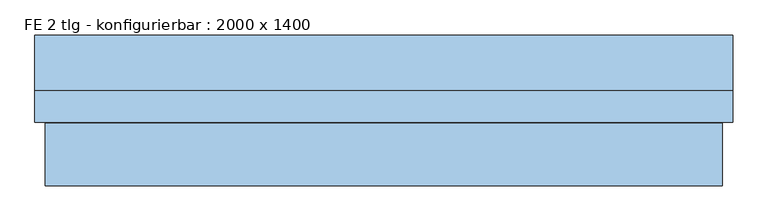
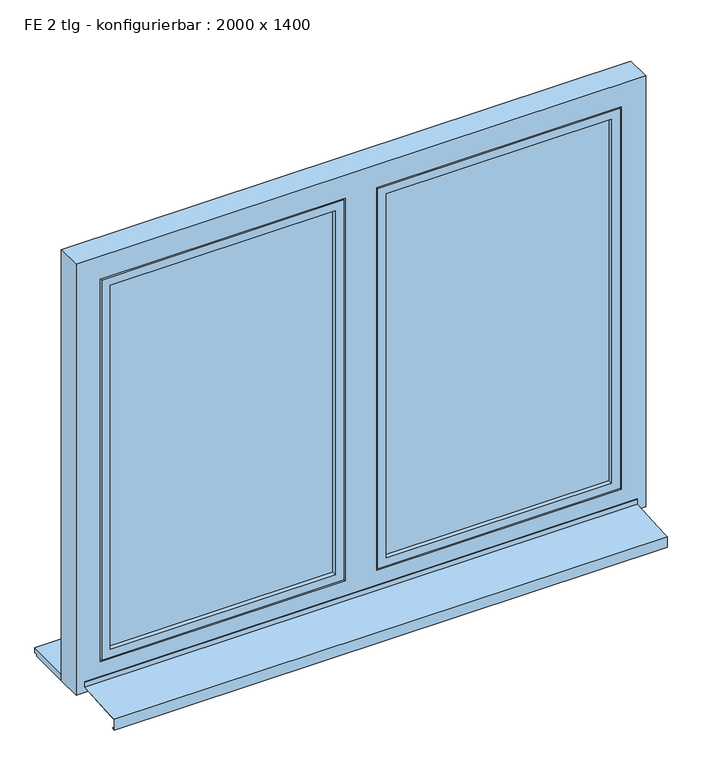
"""IFC4 building model written with IfcOpenShell, lengths in millimetres: window geometry, FE 2 tlg - konfigurierbar : 2000 x 1400."""

from ifc_helpers import new_model, si_unit, frame, origin, place, context, project, spatial, polyline, outline, extrude, faceted_brep, source, transform, mapped, element, save


def fe_2_tlg_konfigurierbar_2000_x_1400_7e20fce9(model_context):
    return source(origin(), model_context, "Body", "SolidModel", [
        faceted_brep([(880.0, -35.0, 2330.0), (880.0, -35.0, 980.0), (880.0, -125.0, 980.0), (880.0, -125.0, 2330.0), (910.0, -125.0, 950.0), (910.0, -125.0, 2360.0), (60.0, -125.0, 2360.0), (60.0, -125.0, 950.0), (90.0, -125.0, 980.0), (90.0, -125.0, 2330.0), (90.0, -35.0, 980.0), (950.0, -35.0, 2400.0), (950.0, -35.0, 910.0), (20.0, -35.0, 910.0), (20.0, -35.0, 2400.0), (90.0, -35.0, 2330.0), (950.0, -50.0, 2400.0), (950.0, -50.0, 910.0), (20.0, -50.0, 910.0), (20.0, -50.0, 2400.0), (935.0, -50.0, 2385.0), (935.0, -50.0, 925.0), (35.0, -50.0, 925.0), (35.0, -50.0, 2385.0), (935.0, -80.0, 2385.0), (935.0, -80.0, 925.0), (35.0, -80.0, 925.0), (35.0, -80.0, 2385.0), (925.0, -80.0, 2375.0), (925.0, -80.0, 935.0), (45.0, -80.0, 935.0), (45.0, -80.0, 2375.0), (925.0, -110.0, 2375.0), (925.0, -110.0, 935.0), (45.0, -110.0, 935.0), (45.0, -110.0, 2375.0), (910.0, -110.0, 2360.0), (910.0, -110.0, 950.0), (60.0, -110.0, 950.0), (60.0, -110.0, 2360.0)], [[[0, 1, 2, 3]], [[4, 5, 6, 7], [3, 2, 8, 9]], [[1, 10, 8, 2]], [[11, 12, 13, 14], [1, 0, 15, 10]], [[16, 17, 12, 11]], [[17, 18, 13, 12]], [[17, 16, 19, 18], [20, 21, 22, 23]], [[24, 25, 21, 20]], [[25, 26, 22, 21]], [[25, 24, 27, 26], [28, 29, 30, 31]], [[32, 33, 29, 28]], [[33, 34, 30, 29]], [[33, 32, 35, 34], [36, 37, 38, 39]], [[5, 4, 37, 36]], [[4, 7, 38, 37]], [[10, 15, 9, 8]], [[18, 19, 14, 13]], [[26, 27, 23, 22]], [[34, 35, 31, 30]], [[7, 6, 39, 38]], [[15, 0, 3, 9]], [[19, 16, 11, 14]], [[27, 24, 20, 23]], [[35, 32, 28, 31]], [[6, 5, 36, 39]]]),
        extrude(outline(polyline([(880.0, -110.0), (90.0, -110.0), (90.0, -66.0), (880.0, -66.0), (880.0, -110.0)])), frame((0.0, 0.0, 980.0), z_axis=(0.0, 0.0, 1.0), x_axis=(1.0, 0.0, 0.0)), (0.0, 0.0, 1.0), 1350.0),
        faceted_brep([(-970.0, -307.0, 860.6252434), (970.0, -307.0, 860.6252434), (970.0, -285.0, 862.0002434), (970.0, -127.0, 871.8752434), (-970.0, -127.0, 871.8752434), (-970.0, -285.0, 862.0002434), (-970.0, -307.0, 820.6252434), (970.0, -307.0, 820.6252434), (-970.0, -295.0, 820.6252434), (970.0, -295.0, 820.6252434), (-970.0, -295.0, 822.6252434), (970.0, -295.0, 822.6252434), (-970.0, -305.0, 822.6252434), (970.0, -305.0, 822.6252434), (-970.0, -305.0, 858.75), (970.0, -305.0, 858.75), (-970.0, -285.0, 860.0), (-970.0, -125.0, 870.0), (970.0, -125.0, 870.0), (970.0, -285.0, 860.0), (-970.0, -125.0, 890.0), (970.0, -125.0, 890.0), (-970.0, -127.0, 890.0), (970.0, -127.0, 890.0)], [[[0, 1, 2, 3, 4, 5]], [[6, 7, 1, 0]], [[8, 9, 7, 6]], [[10, 11, 9, 8]], [[12, 13, 11, 10]], [[14, 15, 13, 12]], [[16, 17, 18, 19, 15, 14]], [[20, 21, 18, 17]], [[22, 23, 21, 20]], [[4, 3, 23, 22]], [[16, 14, 12, 10, 8, 6, 0, 5]], [[19, 18, 21, 23, 3, 2]], [[5, 4, 22, 20, 17, 16]], [[2, 1, 7, 9, 11, 13, 15, 19]]]),
        faceted_brep([(-90.0, -35.0, 2330.0), (-90.0, -35.0, 980.0), (-90.0, -125.0, 980.0), (-90.0, -125.0, 2330.0), (-60.0, -125.0, 950.0), (-60.0, -125.0, 2360.0), (-910.0, -125.0, 2360.0), (-910.0, -125.0, 950.0), (-880.0, -125.0, 980.0), (-880.0, -125.0, 2330.0), (-880.0, -35.0, 980.0), (-20.0, -35.0, 2400.0), (-20.0, -35.0, 910.0), (-950.0, -35.0, 910.0), (-950.0, -35.0, 2400.0), (-880.0, -35.0, 2330.0), (-20.0, -50.0, 2400.0), (-20.0, -50.0, 910.0), (-950.0, -50.0, 910.0), (-950.0, -50.0, 2400.0), (-35.0, -50.0, 2385.0), (-35.0, -50.0, 925.0), (-935.0, -50.0, 925.0), (-935.0, -50.0, 2385.0), (-35.0, -80.0, 2385.0), (-35.0, -80.0, 925.0), (-935.0, -80.0, 925.0), (-935.0, -80.0, 2385.0), (-45.0, -80.0, 2375.0), (-45.0, -80.0, 935.0), (-925.0, -80.0, 935.0), (-925.0, -80.0, 2375.0), (-45.0, -110.0, 2375.0), (-45.0, -110.0, 935.0), (-925.0, -110.0, 935.0), (-925.0, -110.0, 2375.0), (-60.0, -110.0, 2360.0), (-60.0, -110.0, 950.0), (-910.0, -110.0, 950.0), (-910.0, -110.0, 2360.0)], [[[0, 1, 2, 3]], [[4, 5, 6, 7], [3, 2, 8, 9]], [[1, 10, 8, 2]], [[11, 12, 13, 14], [1, 0, 15, 10]], [[16, 17, 12, 11]], [[17, 18, 13, 12]], [[17, 16, 19, 18], [20, 21, 22, 23]], [[24, 25, 21, 20]], [[25, 26, 22, 21]], [[25, 24, 27, 26], [28, 29, 30, 31]], [[32, 33, 29, 28]], [[33, 34, 30, 29]], [[33, 32, 35, 34], [36, 37, 38, 39]], [[5, 4, 37, 36]], [[4, 7, 38, 37]], [[10, 15, 9, 8]], [[18, 19, 14, 13]], [[26, 27, 23, 22]], [[34, 35, 31, 30]], [[7, 6, 39, 38]], [[15, 0, 3, 9]], [[19, 16, 11, 14]], [[27, 24, 20, 23]], [[35, 32, 28, 31]], [[6, 5, 36, 39]]]),
        extrude(outline(polyline([(-90.0, -110.0), (-880.0, -110.0), (-880.0, -66.0), (-90.0, -66.0), (-90.0, -110.0)])), frame((0.0, 0.0, 980.0), z_axis=(0.0, 0.0, 1.0), x_axis=(1.0, 0.0, 0.0)), (0.0, 0.0, 1.0), 1350.0),
        faceted_brep([(1000.0, -125.0, 850.0), (-1000.0, -125.0, 850.0), (-1000.0, -35.0, 850.0), (1000.0, -35.0, 850.0), (1000.0, -125.0, 2450.0), (1000.0, -35.0, 2450.0), (-1000.0, -35.0, 2450.0), (955.0, -35.0, 2405.0), (15.0, -35.0, 2405.0), (15.0, -35.0, 905.0), (955.0, -35.0, 905.0), (-15.0, -35.0, 2405.0), (-955.0, -35.0, 2405.0), (-955.0, -35.0, 905.0), (-15.0, -35.0, 905.0), (-1000.0, -125.0, 2450.0), (-55.0, -125.0, 945.0), (-915.0, -125.0, 945.0), (-915.0, -125.0, 2365.0), (-55.0, -125.0, 2365.0), (915.0, -125.0, 945.0), (55.0, -125.0, 945.0), (55.0, -125.0, 2365.0), (915.0, -125.0, 2365.0), (915.0, -110.0, 2365.0), (915.0, -110.0, 945.0), (55.0, -110.0, 945.0), (55.0, -110.0, 2365.0), (-55.0, -110.0, 2365.0), (-55.0, -110.0, 945.0), (-915.0, -110.0, 945.0), (-915.0, -110.0, 2365.0), (955.0, -50.0, 2405.0), (955.0, -50.0, 905.0), (15.0, -50.0, 905.0), (15.0, -50.0, 2405.0), (-15.0, -50.0, 2405.0), (-15.0, -50.0, 905.0), (-955.0, -50.0, 905.0), (-955.0, -50.0, 2405.0), (940.0, -50.0, 2390.0), (30.0, -50.0, 2390.0), (30.0, -50.0, 920.0), (940.0, -50.0, 920.0), (940.0, -80.0, 920.0), (30.0, -80.0, 920.0), (30.0, -80.0, 2390.0), (940.0, -80.0, 2390.0), (930.0, -80.0, 2380.0), (40.0, -80.0, 2380.0), (40.0, -80.0, 930.0), (930.0, -80.0, 930.0), (930.0, -110.0, 930.0), (40.0, -110.0, 930.0), (40.0, -110.0, 2380.0), (930.0, -110.0, 2380.0), (-30.0, -50.0, 2390.0), (-940.0, -50.0, 2390.0), (-940.0, -50.0, 920.0), (-30.0, -50.0, 920.0), (-30.0, -80.0, 920.0), (-940.0, -80.0, 920.0), (-940.0, -80.0, 2390.0), (-30.0, -80.0, 2390.0), (-40.0, -80.0, 2380.0), (-930.0, -80.0, 2380.0), (-930.0, -80.0, 930.0), (-40.0, -80.0, 930.0), (-40.0, -110.0, 930.0), (-930.0, -110.0, 930.0), (-930.0, -110.0, 2380.0), (-40.0, -110.0, 2380.0)], [[[0, 1, 2, 3]], [[4, 0, 3, 5]], [[5, 3, 2, 6], [7, 8, 9, 10], [11, 12, 13, 14]], [[6, 2, 1, 15]], [[15, 1, 0, 4], [16, 17, 18, 19], [20, 21, 22, 23]], [[20, 23, 24, 25]], [[26, 27, 22, 21]], [[25, 26, 21, 20]], [[16, 19, 28, 29]], [[30, 31, 18, 17]], [[29, 30, 17, 16]], [[32, 7, 10, 33]], [[10, 9, 34, 33]], [[9, 8, 35, 34]], [[36, 11, 14, 37]], [[14, 13, 38, 37]], [[13, 12, 39, 38]], [[33, 34, 35, 32], [40, 41, 42, 43]], [[44, 45, 46, 47], [48, 49, 50, 51]], [[47, 40, 43, 44]], [[43, 42, 45, 44]], [[52, 53, 54, 55], [24, 27, 26, 25]], [[55, 48, 51, 52]], [[51, 50, 53, 52]], [[42, 41, 46, 45]], [[50, 49, 54, 53]], [[37, 38, 39, 36], [56, 57, 58, 59]], [[60, 61, 62, 63], [64, 65, 66, 67]], [[63, 56, 59, 60]], [[59, 58, 61, 60]], [[68, 69, 70, 71], [28, 31, 30, 29]], [[71, 64, 67, 68]], [[67, 66, 69, 68]], [[58, 57, 62, 61]], [[66, 65, 70, 69]], [[4, 5, 6, 15]], [[32, 35, 8, 7]], [[47, 46, 41, 40]], [[55, 54, 49, 48]], [[23, 22, 27, 24]], [[36, 39, 12, 11]], [[63, 62, 57, 56]], [[71, 70, 65, 64]], [[19, 18, 31, 28]]]),
        extrude(outline(polyline([(125.0, 875.0), (125.0, 857.0), (115.0, 857.0), (115.0, 850.0), (-35.0, 850.0), (-35.0, 875.0), (125.0, 875.0)])), frame((-1000.0, 0.0, 0.0), z_axis=(1.0, 0.0, 0.0), x_axis=(0.0, 1.0, 0.0)), (0.0, 0.0, 1.0), 2000.0),
    ])


if __name__ == "__main__":
    model = new_model("IFC4")
    model_context = context("Model", 3, world=origin())
    ifc_project = project(units=[si_unit("LENGTHUNIT", "METRE", prefix="MILLI")], contexts=[model_context])
    site = spatial("IfcSite", under=ifc_project)
    building = spatial("IfcBuilding", under=site)
    placement = place(None, origin())
    fe_2_tlg_konfigurierbar_2000_x_1400_shape = fe_2_tlg_konfigurierbar_2000_x_1400_7e20fce9(model_context)
    element("IfcWindow", 1, ObjectType="FE 2 tlg - konfigurierbar : 2000 x 1400", at=placement, inside=building, context=model_context, shape_type="MappedRepresentation", body=[
        mapped(fe_2_tlg_konfigurierbar_2000_x_1400_shape, transform((0.0, 0.0, 0.0), x_axis=(1.0, 0.0, 0.0), y_axis=(0.0, 1.0, 0.0), z_axis=(0.0, 0.0, 1.0))),
    ])
    save(model, "model.ifc")
